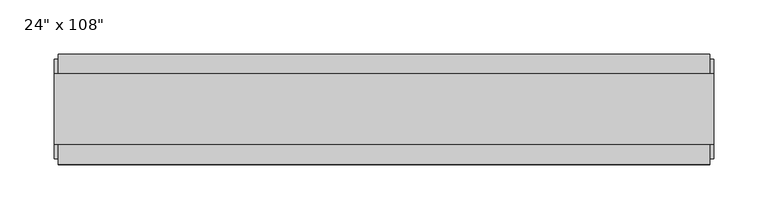
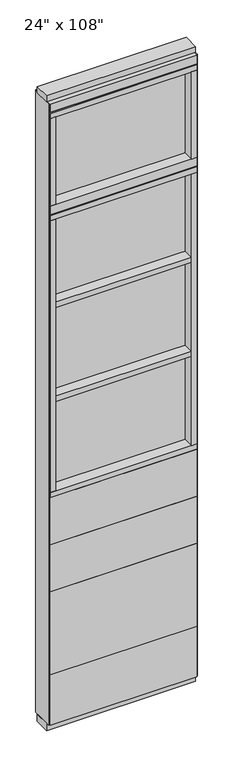
"""IFC4 building model written with IfcOpenShell, lengths in millimetres: furniture geometry."""

from ifc_helpers import new_model, si_unit, frame, origin, origin_with_axes, place, context, project, spatial, polyline, outline, extrude, source, transform, mapped, element, save


def furniture_a9b5621d(model_context):
    return source(origin(), model_context, "Body", "SweptSolid", [
        extrude(outline(polyline([(240.8264771, 46.2822784), (240.8264771, 33.5822784), (-360.8995229, 33.5822784), (-360.8995229, 46.2822784), (240.8264771, 46.2822784)])), frame((0.0, 0.0, 812.8), z_axis=(0.0, 0.0, 1.0), x_axis=(1.0, 0.0, 0.0)), (0.0, 0.0, 1.0), 203.2),
        extrude(outline(polyline([(240.8264771, 46.2822784), (240.8264771, 33.5822784), (-360.8995229, 33.5822784), (-360.8995229, 46.2822784), (240.8264771, 46.2822784)])), frame((0.0, 0.0, 609.6), z_axis=(0.0, 0.0, 1.0), x_axis=(1.0, 0.0, 0.0)), (0.0, 0.0, 1.0), 203.2),
        extrude(outline(polyline([(240.8264771, 46.2822784), (240.8264771, 33.5822784), (-360.8995229, 33.5822784), (-360.8995229, 46.2822784), (240.8264771, 46.2822784)])), frame((0.0, 0.0, 249.936), z_axis=(0.0, 0.0, 1.0), x_axis=(1.0, 0.0, 0.0)), (0.0, 0.0, 1.0), 359.664),
        extrude(outline(polyline([(240.8264771, -55.3177216), (-360.8995229, -55.3177216), (-360.8995229, -42.6177216), (240.8264771, -42.6177216), (240.8264771, -55.3177216)])), frame((0.0, 0.0, 812.8), z_axis=(0.0, 0.0, 1.0), x_axis=(1.0, 0.0, 0.0)), (0.0, 0.0, 1.0), 203.2),
        extrude(outline(polyline([(240.8264771, -55.3177216), (-360.8995229, -55.3177216), (-360.8995229, -42.6177216), (240.8264771, -42.6177216), (240.8264771, -55.3177216)])), frame((0.0, 0.0, 609.6), z_axis=(0.0, 0.0, 1.0), x_axis=(1.0, 0.0, 0.0)), (0.0, 0.0, 1.0), 203.2),
        extrude(outline(polyline([(240.8264771, -55.3177216), (-360.8995229, -55.3177216), (-360.8995229, -42.6177216), (240.8264771, -42.6177216), (240.8264771, -55.3177216)])), frame((0.0, 0.0, 249.936), z_axis=(0.0, 0.0, 1.0), x_axis=(1.0, 0.0, 0.0)), (0.0, 0.0, 1.0), 359.664),
        extrude(outline(polyline([(-338.6745229, -52.3332216), (-338.6745229, 43.2977784), (218.6014771, 43.2977784), (218.6014771, -52.3332216), (-338.6745229, -52.3332216)])), frame((0.0, 0.0, 1828.8), z_axis=(0.0, 0.0, 1.0), x_axis=(1.0, 0.0, 0.0)), (0.0, 0.0, 1.0), 22.225),
        extrude(outline(polyline([(-338.6745229, -52.3332216), (-338.6745229, 43.2977784), (218.6014771, 43.2977784), (218.6014771, -52.3332216), (-338.6745229, -52.3332216)])), frame((0.0, 0.0, 1422.4), z_axis=(0.0, 0.0, 1.0), x_axis=(1.0, 0.0, 0.0)), (0.0, 0.0, 1.0), 22.225),
        extrude(outline(polyline([(218.6014771, -9.5977216), (-338.6745229, -9.5977216), (-338.6745229, 0.5622784), (218.6014771, 0.5622784), (218.6014771, -9.5977216)])), frame((0.0, 0.0, 1038.225), z_axis=(0.0, 0.0, 1.0), x_axis=(1.0, 0.0, 0.0)), (0.0, 0.0, 1.0), 1177.925),
        extrude(outline(polyline([(240.8264771, 46.2822784), (240.8264771, 33.5822784), (-360.8995229, 33.5822784), (-360.8995229, 46.2822784), (240.8264771, 46.2822784)])), frame((0.0, 0.0, 31.75), z_axis=(0.0, 0.0, 1.0), x_axis=(1.0, 0.0, 0.0)), (0.0, 0.0, 1.0), 218.186),
        extrude(outline(polyline([(240.8264771, -55.3177216), (-360.8995229, -55.3177216), (-360.8995229, -42.6177216), (240.8264771, -42.6177216), (240.8264771, -55.3177216)])), frame((0.0, 0.0, 31.75), z_axis=(0.0, 0.0, 1.0), x_axis=(1.0, 0.0, 0.0)), (0.0, 0.0, 1.0), 218.186),
        extrude(outline(polyline([(218.6014771, -9.5977216), (-338.6745229, -9.5977216), (-338.6745229, 0.5622784), (218.6014771, 0.5622784), (218.6014771, -9.5977216)])), frame((0.0, 0.0, 2276.475), z_axis=(0.0, 0.0, 1.0), x_axis=(1.0, 0.0, 0.0)), (0.0, 0.0, 1.0), 377.825),
        extrude(outline(polyline([(218.6014771, -55.3177216), (218.6014771, 46.2822784), (240.8264771, 46.2822784), (240.8264771, -55.3177216), (218.6014771, -55.3177216)])), frame((0.0, 0.0, 2276.475), z_axis=(0.0, 0.0, 1.0), x_axis=(1.0, 0.0, 0.0)), (0.0, 0.0, 1.0), 377.825),
        extrude(outline(polyline([(-338.6745229, -55.3177216), (-360.8995229, -55.3177216), (-360.8995229, 46.2822784), (-338.6745229, 46.2822784), (-338.6745229, -55.3177216)])), frame((0.0, 0.0, 2276.475), z_axis=(0.0, 0.0, 1.0), x_axis=(1.0, 0.0, 0.0)), (0.0, 0.0, 1.0), 377.825),
        extrude(outline(polyline([(240.8264771, 46.2822784), (240.8264771, -55.3177216), (-360.8995229, -55.3177216), (-360.8995229, 46.2822784), (240.8264771, 46.2822784)])), frame((0.0, 0.0, 2212.975), z_axis=(0.0, 0.0, 1.0), x_axis=(1.0, 0.0, 0.0)), (0.0, 0.0, 1.0), 22.225),
        extrude(outline(polyline([(-55.3177216, 2240.153), (-55.3177216, 2276.475), (46.2822784, 2276.475), (46.2822784, 2240.153), (41.3292784, 2240.153), (41.3292784, 2235.2), (-50.3647216, 2235.2), (-50.3647216, 2240.153), (-55.3177216, 2240.153)])), frame((-360.8995229, 0.0, 0.0), z_axis=(1.0, 0.0, 0.0), x_axis=(0.0, 1.0, 0.0)), (0.0, 0.0, 1.0), 601.726),
        extrude(outline(polyline([(218.6014771, -55.3177216), (218.6014771, 46.2822784), (240.8264771, 46.2822784), (240.8264771, -55.3177216), (218.6014771, -55.3177216)])), frame((0.0, 0.0, 1038.225), z_axis=(0.0, 0.0, 1.0), x_axis=(1.0, 0.0, 0.0)), (0.0, 0.0, 1.0), 1174.75),
        extrude(outline(polyline([(-360.8995229, -55.3177216), (-360.8995229, 46.2822784), (240.8264771, 46.2822784), (240.8264771, -55.3177216), (-360.8995229, -55.3177216)])), frame((0.0, 0.0, 1016.0), z_axis=(0.0, 0.0, 1.0), x_axis=(1.0, 0.0, 0.0)), (0.0, 0.0, 1.0), 22.225),
        extrude(outline(polyline([(-338.6745229, -55.3177216), (-360.8995229, -55.3177216), (-360.8995229, 46.2822784), (-338.6745229, 46.2822784), (-338.6745229, -55.3177216)])), frame((0.0, 0.0, 1038.225), z_axis=(0.0, 0.0, 1.0), x_axis=(1.0, 0.0, 0.0)), (0.0, 0.0, 1.0), 1174.75),
        extrude(outline(polyline([(244.7634771, 27.9942784), (244.7634771, -37.0297216), (-364.8365229, -37.0297216), (-364.8365229, 27.9942784), (244.7634771, 27.9942784)])), origin_with_axes(), (0.0, 0.0, 1.0), 31.75),
        extrude(outline(polyline([(-364.8365229, -37.0297216), (-364.8365229, 27.9942784), (244.7634771, 27.9942784), (244.7634771, -37.0297216), (-364.8365229, -37.0297216)])), frame((0.0, 0.0, 2717.8), z_axis=(0.0, 0.0, 1.0), x_axis=(1.0, 0.0, 0.0)), (0.0, 0.0, 1.0), 25.4),
        extrude(outline(polyline([(-55.3177216, 2681.478), (-55.3177216, 2717.8), (46.2822784, 2717.8), (46.2822784, 2681.478), (41.3292784, 2681.478), (41.3292784, 2676.525), (-50.3647216, 2676.525), (-50.3647216, 2681.478), (-55.3177216, 2681.478)])), frame((-360.8995229, 0.0, 0.0), z_axis=(1.0, 0.0, 0.0), x_axis=(0.0, 1.0, 0.0)), (0.0, 0.0, 1.0), 601.726),
        extrude(outline(polyline([(240.8264771, 46.2822784), (240.8264771, -55.3177216), (-360.8995229, -55.3177216), (-360.8995229, 46.2822784), (240.8264771, 46.2822784)])), frame((0.0, 0.0, 2654.3), z_axis=(0.0, 0.0, 1.0), x_axis=(1.0, 0.0, 0.0)), (0.0, 0.0, 1.0), 22.225),
        extrude(outline(polyline([(244.7634771, -50.3647216), (240.8264771, -50.3647216), (240.8264771, 41.3292784), (244.7634771, 41.3292784), (244.7634771, -50.3647216)])), frame((0.0, 0.0, 31.75), z_axis=(0.0, 0.0, 1.0), x_axis=(1.0, 0.0, 0.0)), (0.0, 0.0, 1.0), 2686.05),
        extrude(outline(polyline([(-364.8365229, -50.3647216), (-364.8365229, 41.3292784), (-360.8995229, 41.3292784), (-360.8995229, -50.3647216), (-364.8365229, -50.3647216)])), frame((0.0, 0.0, 31.75), z_axis=(0.0, 0.0, 1.0), x_axis=(1.0, 0.0, 0.0)), (0.0, 0.0, 1.0), 2686.05),
    ])


if __name__ == "__main__":
    model = new_model("IFC4")
    model_context = context("Model", 3, world=origin())
    ifc_project = project(units=[si_unit("LENGTHUNIT", "METRE", prefix="MILLI")], contexts=[model_context])
    site = spatial("IfcSite", under=ifc_project)
    building = spatial("IfcBuilding", under=site)
    placement = place(None, origin())
    furniture_shape = furniture_a9b5621d(model_context)
    element("IfcFurniture", 1, ObjectType="24\" x 108\"", at=placement, inside=building, context=model_context, shape_type="MappedRepresentation", body=[
        mapped(furniture_shape, transform((0.0, 0.0, 0.0), x_axis=(1.0, 0.0, 0.0), y_axis=(0.0, 1.0, 0.0), z_axis=(0.0, 0.0, 1.0))),
    ])
    save(model, "model.ifc")
